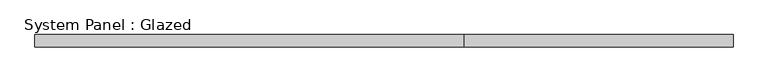
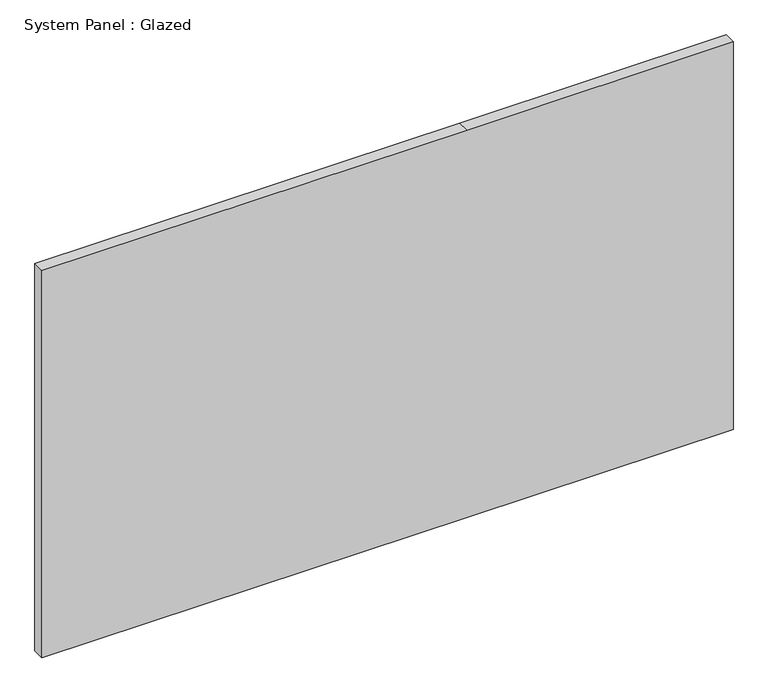
"""IFC4 building model written with IfcOpenShell, lengths in millimetres: plate geometry, System Panel : Glazed."""

import ifcopenshell
import ifcopenshell.guid

model = None  # the IFC model being written
_history = None  # IfcOwnerHistory: only IFC2X3 demands one
_inside = {}  # id of a spatial element -> (the spatial element, [elements in it])
_under = {}  # id of a project, library or spatial element -> (it, [spatial elements below it])
_declared = {}  # id of a project -> (the project, [libraries it declares])
_typed = {}  # id of a type object -> (the type object, [elements of that type])
_made_of = {}  # id of a material, layer set ... -> (it, [elements and type objects made of it])


def new_model(schema):
    """Start an empty IFC model of exactly this schema.

    Asked for "IFC4X3", IfcOpenShell would pick the latest addendum, in which some entities
    have other attributes; the version numbers below select the first issue.
    IFC2X3 requires an IfcOwnerHistory on every rooted entity: one is made here for all.
    """
    global model, _history
    if schema == "IFC4X3":
        model = ifcopenshell.file(schema_version=(4, 3, 0, 0))
    else:
        model = ifcopenshell.file(schema=schema)
    _inside.clear()
    _under.clear()
    _declared.clear()
    _typed.clear()
    _made_of.clear()
    _history = None
    if model.schema == "IFC2X3":
        org = make("IfcOrganization", Name="unknown")
        user = make(
            "IfcPersonAndOrganization",
            ThePerson=make("IfcPerson", FamilyName="unknown"),
            TheOrganization=org,
        )
        app = make(
            "IfcApplication",
            ApplicationDeveloper=org,
            Version="unknown",
            ApplicationFullName="unknown",
            ApplicationIdentifier="unknown",
        )
        _history = make(
            "IfcOwnerHistory",
            OwningUser=user,
            OwningApplication=app,
            ChangeAction="ADDED",
            CreationDate=0,
        )
    return model


def make(cls, **values):
    """One entity of the class cls with the attributes given. An attribute that is None is left unset."""
    return model.create_entity(
        cls, **{name: value for name, value in values.items() if value is not None}
    )


def rooted(cls, **values):
    """An entity with a GlobalId (a new one), such as an element, a storey or a relation."""
    return make(cls, GlobalId=ifcopenshell.guid.new(), OwnerHistory=_history, **values)


def si_unit(unit_type, name, prefix=None):
    """IfcSIUnit, for example si_unit("LENGTHUNIT", "METRE", prefix="MILLI")."""
    return make("IfcSIUnit", UnitType=unit_type, Prefix=prefix, Name=name)


def assignment(units):
    """IfcUnitAssignment: the units of a project."""
    return None if units is None else make("IfcUnitAssignment", Units=units)


def point(xyz):
    """IfcCartesianPoint."""
    return None if xyz is None else make("IfcCartesianPoint", Coordinates=xyz)


def direction(xyz):
    """IfcDirection."""
    return None if xyz is None else make("IfcDirection", DirectionRatios=xyz)


def frame(location, z_axis=None, x_axis=None):
    """IfcAxis2Placement3D, a coordinate frame: its origin and axes. An axis left out is left unset."""
    return make(
        "IfcAxis2Placement3D",
        Location=point(location),
        Axis=direction(z_axis),
        RefDirection=direction(x_axis),
    )


def origin():
    """The frame at (0, 0, 0) with its axes left unset."""
    return frame((0.0, 0.0, 0.0))


def place(relative_to, where):
    """IfcLocalPlacement: puts the frame where relative to a parent placement (None: the world)."""
    return make(
        "IfcLocalPlacement", PlacementRelTo=relative_to, RelativePlacement=where
    )


def context(
    kind, dimensions, precision=None, world=None, true_north=None, identifier=None
):
    """IfcGeometricRepresentationContext, for example the 3D "Model" context."""
    return make(
        "IfcGeometricRepresentationContext",
        ContextIdentifier=identifier,
        ContextType=kind,
        CoordinateSpaceDimension=dimensions,
        Precision=precision,
        WorldCoordinateSystem=world,
        TrueNorth=true_north,
    )


def project(units=None, contexts=None):
    """IfcProject with its units and contexts."""
    return rooted(
        "IfcProject",
        Name="project",
        RepresentationContexts=contexts,
        UnitsInContext=assignment(units),
    )


def spatial(cls, under=None, at=None, **own):
    """A site, building, storey or space (cls), placed at a placement, below another one or the project."""
    s = rooted(cls, ObjectPlacement=at, **own)
    if under is not None:
        _under.setdefault(under.id(), (under, []))[1].append(s)
    return s


def polyline(points):
    """IfcPolyline through the points."""
    return make("IfcPolyline", Points=[point(p) for p in points])


def outline(outer, holes=None, kind="AREA"):
    """IfcArbitraryClosedProfileDef: a profile drawn as a closed curve; with holes, ...WithVoids."""
    if holes is None:
        return make("IfcArbitraryClosedProfileDef", ProfileType=kind, OuterCurve=outer)
    return make(
        "IfcArbitraryProfileDefWithVoids",
        ProfileType=kind,
        OuterCurve=outer,
        InnerCurves=holes,
    )


def extrude(swept, where, along, depth):
    """IfcExtrudedAreaSolid: the profile swept, set in the frame where, extruded along a direction by depth."""
    return make(
        "IfcExtrudedAreaSolid",
        SweptArea=swept,
        Position=where,
        ExtrudedDirection=direction(along),
        Depth=depth,
    )


def shape(context_of_items, identifier, shape_type, items):
    """IfcShapeRepresentation: the items that make up one representation, for example the "Body"."""
    return make(
        "IfcShapeRepresentation",
        ContextOfItems=context_of_items,
        RepresentationIdentifier=identifier,
        RepresentationType=shape_type,
        Items=items,
    )


def source(mapping_origin, context_of_items, identifier, shape_type, items):
    """IfcRepresentationMap: a shape defined once, which mapped items show again and again."""
    return make(
        "IfcRepresentationMap",
        MappingOrigin=mapping_origin,
        MappedRepresentation=shape(context_of_items, identifier, shape_type, items),
    )


def transform(
    local_origin,
    x_axis=None,
    y_axis=None,
    z_axis=None,
    scale=None,
    scale2=None,
    scale3=None,
    uniform=True,
):
    """IfcCartesianTransformationOperator3D, or its non-uniform kind. x_axis, y_axis, z_axis: its Axis1, 2, 3."""
    if uniform:
        return make(
            "IfcCartesianTransformationOperator3D",
            Axis1=direction(x_axis),
            Axis2=direction(y_axis),
            LocalOrigin=point(local_origin),
            Scale=scale,
            Axis3=direction(z_axis),
        )
    return make(
        "IfcCartesianTransformationOperator3DnonUniform",
        Axis1=direction(x_axis),
        Axis2=direction(y_axis),
        LocalOrigin=point(local_origin),
        Scale=scale,
        Axis3=direction(z_axis),
        Scale2=scale2,
        Scale3=scale3,
    )


def mapped(mapping_source, mapping_target):
    """IfcMappedItem: shows the shape of a source again, moved by a transform."""
    return make(
        "IfcMappedItem", MappingSource=mapping_source, MappingTarget=mapping_target
    )


def made_of(thing, what):
    """Note that an element or type object is made of a material, layer set ...; save() writes the relation."""
    if what is not None:
        _made_of.setdefault(what.id(), (what, []))[1].append(thing)
    return thing


def element(
    cls,
    number,
    at=None,
    inside=None,
    cuts=None,
    type_object=None,
    material=None,
    context=None,
    identifier="Body",
    shape_type=None,
    held_by="IfcProductDefinitionShape",
    body=None,
    shapes=None,
    **own,
):
    """One element of the class cls, such as IfcWall. Its Tag is "e" and its number.

    at: its placement. inside: the storey or other place that contains it. cuts: it is an
    opening in that element (IfcRelVoidsElement). A single representation is given by context,
    identifier, shape_type and body (its items); several are given by shapes. held_by: the class
    of the entity that holds the representations. save() writes the other relations.
    """
    e = rooted(cls, Tag="e%d" % number, ObjectPlacement=at, **own)
    if body is not None:
        shapes = [shape(context, identifier, shape_type, body)]
    if shapes is not None:
        e.Representation = make(held_by, Representations=shapes)
    if inside is not None:
        _inside.setdefault(inside.id(), (inside, []))[1].append(e)
    if cuts is not None:
        rooted(
            "IfcRelVoidsElement", RelatingBuildingElement=cuts, RelatedOpeningElement=e
        )
    if type_object is not None:
        _typed.setdefault(type_object.id(), (type_object, []))[1].append(e)
    return made_of(e, material)


def aggregate(whole, parts):
    """IfcRelAggregates: a whole, such as a stair, and the parts it consists of."""
    return rooted("IfcRelAggregates", RelatingObject=whole, RelatedObjects=parts)


def save(model, path):
    """Write the relations noted so far, then the file.

    IfcRelAggregates (storeys below a building ...), IfcRelContainedInSpatialStructure (elements
    in a storey), IfcRelDefinesByType, IfcRelAssociatesMaterial and IfcRelDeclares: one each for
    every whole, place, type object, material and project.
    """
    for whole, parts in _under.values():
        aggregate(whole, parts)
    for where, things in _inside.values():
        rooted(
            "IfcRelContainedInSpatialStructure",
            RelatedElements=things,
            RelatingStructure=where,
        )
    for kind, things in _typed.values():
        rooted("IfcRelDefinesByType", RelatedObjects=things, RelatingType=kind)
    for what, things in _made_of.values():
        rooted("IfcRelAssociatesMaterial", RelatedObjects=things, RelatingMaterial=what)
    for by, libraries in _declared.values():
        rooted("IfcRelDeclares", RelatingContext=by, RelatedDefinitions=libraries)
    model.write(path)


def system_panel_glazed_f1407101(model_context):
    return source(origin(), model_context, "Body", "SweptSolid", [
        extrude(outline(polyline([(0.0, -717.55), (0.0, 165.1), (0.0, 717.55), (850.9, 717.55), (850.9, 165.1), (850.9, -717.55), (0.0, -717.55)])), frame((0.0, 19.05, 0.0), z_axis=(0.0, 1.0, 0.0), x_axis=(0.0, 0.0, 1.0)), (0.0, 0.0, 1.0), 25.4),
    ])


if __name__ == "__main__":
    model = new_model("IFC4")
    model_context = context("Model", 3, world=origin())
    ifc_project = project(units=[si_unit("LENGTHUNIT", "METRE", prefix="MILLI")], contexts=[model_context])
    site = spatial("IfcSite", under=ifc_project)
    building = spatial("IfcBuilding", under=site)
    placement = place(None, origin())
    system_panel_glazed_shape = system_panel_glazed_f1407101(model_context)
    element("IfcPlate", 1, ObjectType="System Panel : Glazed", at=placement, inside=building, context=model_context, shape_type="MappedRepresentation", body=[
        mapped(system_panel_glazed_shape, transform((0.0, 0.0, 0.0), x_axis=(1.0, 0.0, 0.0), y_axis=(0.0, 1.0, 0.0), z_axis=(0.0, 0.0, 1.0))),
    ])
    save(model, "model.ifc")
